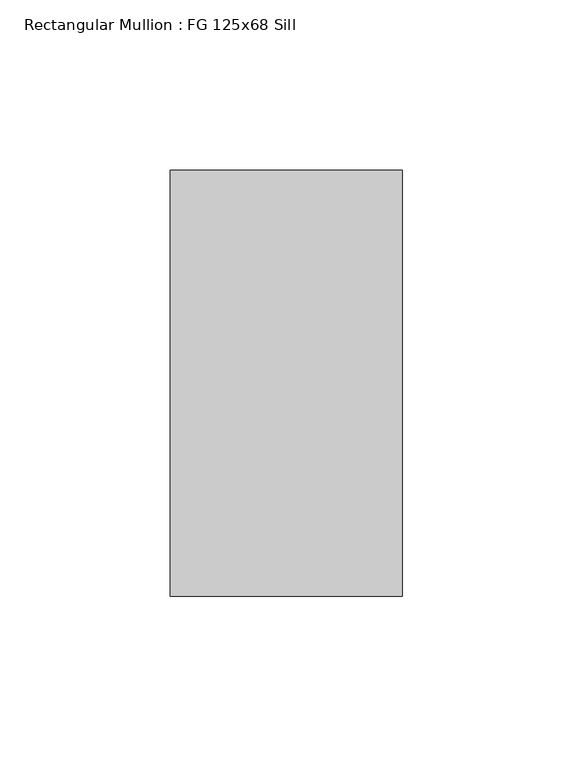
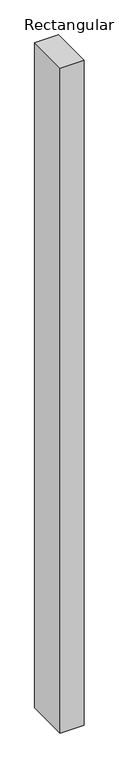
"""IFC4 building model written with IfcOpenShell, lengths in millimetres: member geometry, Rectangular Mullion : FG 125x68 Sill."""

from ifc_helpers import new_model, si_unit, frame, origin, place, context, project, spatial, polyline, outline, extrude, source, transform, mapped, element, save


def rectangular_mullion_fg_125x68_sill_46dbb333(model_context):
    return source(origin(), model_context, "Body", "SweptSolid", [
        extrude(outline(polyline([(0.0, 62.5), (0.0, -62.5), (-68.0, -62.5), (-68.0, 62.5), (0.0, 62.5)])), frame((0.0, 0.0, -1991.666723), z_axis=(0.0, 0.0, 1.0), x_axis=(1.0, 0.0, 0.0)), (0.0, 0.0, 1.0), 1991.666723),
    ])


if __name__ == "__main__":
    model = new_model("IFC4")
    model_context = context("Model", 3, world=origin())
    ifc_project = project(units=[si_unit("LENGTHUNIT", "METRE", prefix="MILLI")], contexts=[model_context])
    site = spatial("IfcSite", under=ifc_project)
    building = spatial("IfcBuilding", under=site)
    placement = place(None, origin())
    rectangular_mullion_fg_125x68_sill_shape = rectangular_mullion_fg_125x68_sill_46dbb333(model_context)
    element("IfcMember", 1, ObjectType="Rectangular Mullion : FG 125x68 Sill", at=placement, inside=building, context=model_context, shape_type="MappedRepresentation", body=[
        mapped(rectangular_mullion_fg_125x68_sill_shape, transform((0.0, 0.0, 0.0), x_axis=(1.0, 0.0, 0.0), y_axis=(0.0, 1.0, 0.0), z_axis=(0.0, 0.0, 1.0))),
    ])
    save(model, "model.ifc")
